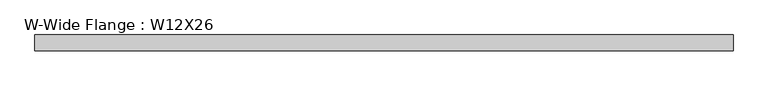
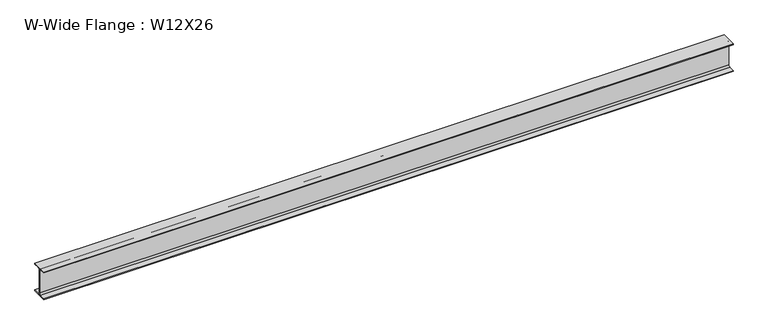
"""IFC4 building model written with IfcOpenShell, lengths in millimetres: beam geometry, W-Wide Flange : W12X26."""

from ifc_helpers import new_model, si_unit, point, frame, frame_2d, origin, place, context, project, spatial, polyline, circle_curve, trimmed, segment, composite_curve, outline, extrude, source, transform, mapped, element, save


def w_wide_flange_w12x26_fab3e058(model_context):
    return source(origin(), model_context, "Body", "SweptSolid", [
        extrude(outline(composite_curve([segment(polyline([(82.4011719, -145.5539063), (82.4011719, -155.178125), (-82.4011719, -155.178125), (-82.4011719, -145.5539063), (-20.2902344, -145.5539063)]), True, "CONTINUOUS"), segment(trimmed(circle_curve(frame_2d((-20.2902344, -128.190625)), 17.3632812), [point((-20.2902344, -145.5539063))], [point((-2.9269531, -128.190625))], True, "CARTESIAN"), True, "CONTINUOUS"), segment(polyline([(-2.9269531, -128.190625), (-2.9269531, 128.190625)]), True, "CONTINUOUS"), segment(trimmed(circle_curve(frame_2d((-20.2902344, 128.190625)), 17.3632812), [point((-2.9269531, 128.190625))], [point((-20.2902344, 145.5539062))], True, "CARTESIAN"), True, "CONTINUOUS"), segment(polyline([(-20.2902344, 145.5539062), (-82.4011719, 145.5539062), (-82.4011719, 155.178125), (82.4011719, 155.178125), (82.4011719, 145.5539062), (20.2902344, 145.5539062)]), True, "CONTINUOUS"), segment(trimmed(circle_curve(frame_2d((20.2902344, 128.190625)), 17.3632812), [point((20.2902344, 145.5539062))], [point((2.9269531, 128.190625))], True, "CARTESIAN"), True, "CONTINUOUS"), segment(polyline([(2.9269531, 128.190625), (2.9269531, -128.190625)]), True, "CONTINUOUS"), segment(trimmed(circle_curve(frame_2d((20.2902344, -128.190625)), 17.3632812), [point((2.9269531, -128.190625))], [point((20.2902344, -145.5539063))], True, "CARTESIAN"), True, "CONTINUOUS"), segment(polyline([(20.2902344, -145.5539063), (82.4011719, -145.5539063)]), True, "CONTINUOUS")], self_intersect=False)), frame((-3663.8011719, 0.0, 0.0), z_axis=(1.0, 0.0, 0.0), x_axis=(0.0, 1.0, 0.0)), (0.0, 0.0, 1.0), 7327.6023438),
    ])


if __name__ == "__main__":
    model = new_model("IFC4")
    model_context = context("Model", 3, world=origin())
    ifc_project = project(units=[si_unit("LENGTHUNIT", "METRE", prefix="MILLI")], contexts=[model_context])
    site = spatial("IfcSite", under=ifc_project)
    building = spatial("IfcBuilding", under=site)
    placement = place(None, origin())
    w_wide_flange_w12x26_shape = w_wide_flange_w12x26_fab3e058(model_context)
    element("IfcBeam", 1, ObjectType="W-Wide Flange : W12X26", at=placement, inside=building, context=model_context, shape_type="MappedRepresentation", body=[
        mapped(w_wide_flange_w12x26_shape, transform((0.0, 0.0, 0.0), x_axis=(1.0, 0.0, 0.0), y_axis=(0.0, 1.0, 0.0), z_axis=(0.0, 0.0, 1.0))),
    ])
    save(model, "model.ifc")
